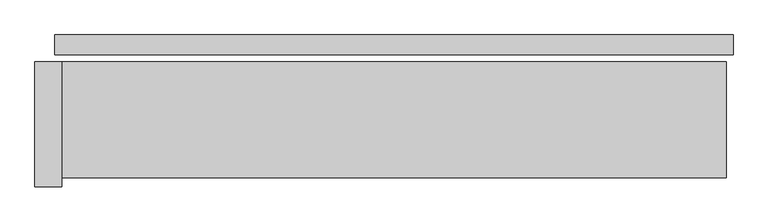
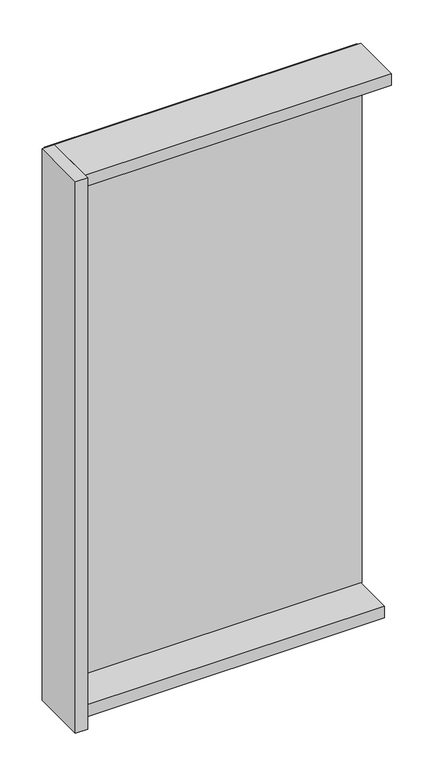
"""IFC4 building model written with IfcOpenShell, lengths in millimetres: plate geometry."""

import ifcopenshell
import ifcopenshell.guid

model = None  # the IFC model being written
_history = None  # IfcOwnerHistory: only IFC2X3 demands one
_inside = {}  # id of a spatial element -> (the spatial element, [elements in it])
_under = {}  # id of a project, library or spatial element -> (it, [spatial elements below it])
_declared = {}  # id of a project -> (the project, [libraries it declares])
_typed = {}  # id of a type object -> (the type object, [elements of that type])
_made_of = {}  # id of a material, layer set ... -> (it, [elements and type objects made of it])


def new_model(schema):
    """Start an empty IFC model of exactly this schema.

    Asked for "IFC4X3", IfcOpenShell would pick the latest addendum, in which some entities
    have other attributes; the version numbers below select the first issue.
    IFC2X3 requires an IfcOwnerHistory on every rooted entity: one is made here for all.
    """
    global model, _history
    if schema == "IFC4X3":
        model = ifcopenshell.file(schema_version=(4, 3, 0, 0))
    else:
        model = ifcopenshell.file(schema=schema)
    _inside.clear()
    _under.clear()
    _declared.clear()
    _typed.clear()
    _made_of.clear()
    _history = None
    if model.schema == "IFC2X3":
        org = make("IfcOrganization", Name="unknown")
        user = make(
            "IfcPersonAndOrganization",
            ThePerson=make("IfcPerson", FamilyName="unknown"),
            TheOrganization=org,
        )
        app = make(
            "IfcApplication",
            ApplicationDeveloper=org,
            Version="unknown",
            ApplicationFullName="unknown",
            ApplicationIdentifier="unknown",
        )
        _history = make(
            "IfcOwnerHistory",
            OwningUser=user,
            OwningApplication=app,
            ChangeAction="ADDED",
            CreationDate=0,
        )
    return model


def make(cls, **values):
    """One entity of the class cls with the attributes given. An attribute that is None is left unset."""
    return model.create_entity(
        cls, **{name: value for name, value in values.items() if value is not None}
    )


def rooted(cls, **values):
    """An entity with a GlobalId (a new one), such as an element, a storey or a relation."""
    return make(cls, GlobalId=ifcopenshell.guid.new(), OwnerHistory=_history, **values)


def si_unit(unit_type, name, prefix=None):
    """IfcSIUnit, for example si_unit("LENGTHUNIT", "METRE", prefix="MILLI")."""
    return make("IfcSIUnit", UnitType=unit_type, Prefix=prefix, Name=name)


def assignment(units):
    """IfcUnitAssignment: the units of a project."""
    return None if units is None else make("IfcUnitAssignment", Units=units)


def point(xyz):
    """IfcCartesianPoint."""
    return None if xyz is None else make("IfcCartesianPoint", Coordinates=xyz)


def direction(xyz):
    """IfcDirection."""
    return None if xyz is None else make("IfcDirection", DirectionRatios=xyz)


def frame(location, z_axis=None, x_axis=None):
    """IfcAxis2Placement3D, a coordinate frame: its origin and axes. An axis left out is left unset."""
    return make(
        "IfcAxis2Placement3D",
        Location=point(location),
        Axis=direction(z_axis),
        RefDirection=direction(x_axis),
    )


def origin():
    """The frame at (0, 0, 0) with its axes left unset."""
    return frame((0.0, 0.0, 0.0))


def origin_with_axes():
    """The frame at (0, 0, 0) with the z axis (0, 0, 1) and the x axis (1, 0, 0) written out."""
    return frame((0.0, 0.0, 0.0), z_axis=(0.0, 0.0, 1.0), x_axis=(1.0, 0.0, 0.0))


def place(relative_to, where):
    """IfcLocalPlacement: puts the frame where relative to a parent placement (None: the world)."""
    return make(
        "IfcLocalPlacement", PlacementRelTo=relative_to, RelativePlacement=where
    )


def context(
    kind, dimensions, precision=None, world=None, true_north=None, identifier=None
):
    """IfcGeometricRepresentationContext, for example the 3D "Model" context."""
    return make(
        "IfcGeometricRepresentationContext",
        ContextIdentifier=identifier,
        ContextType=kind,
        CoordinateSpaceDimension=dimensions,
        Precision=precision,
        WorldCoordinateSystem=world,
        TrueNorth=true_north,
    )


def project(units=None, contexts=None):
    """IfcProject with its units and contexts."""
    return rooted(
        "IfcProject",
        Name="project",
        RepresentationContexts=contexts,
        UnitsInContext=assignment(units),
    )


def spatial(cls, under=None, at=None, **own):
    """A site, building, storey or space (cls), placed at a placement, below another one or the project."""
    s = rooted(cls, ObjectPlacement=at, **own)
    if under is not None:
        _under.setdefault(under.id(), (under, []))[1].append(s)
    return s


def polyline(points):
    """IfcPolyline through the points."""
    return make("IfcPolyline", Points=[point(p) for p in points])


def outline(outer, holes=None, kind="AREA"):
    """IfcArbitraryClosedProfileDef: a profile drawn as a closed curve; with holes, ...WithVoids."""
    if holes is None:
        return make("IfcArbitraryClosedProfileDef", ProfileType=kind, OuterCurve=outer)
    return make(
        "IfcArbitraryProfileDefWithVoids",
        ProfileType=kind,
        OuterCurve=outer,
        InnerCurves=holes,
    )


def extrude(swept, where, along, depth):
    """IfcExtrudedAreaSolid: the profile swept, set in the frame where, extruded along a direction by depth."""
    return make(
        "IfcExtrudedAreaSolid",
        SweptArea=swept,
        Position=where,
        ExtrudedDirection=direction(along),
        Depth=depth,
    )


def shape(context_of_items, identifier, shape_type, items):
    """IfcShapeRepresentation: the items that make up one representation, for example the "Body"."""
    return make(
        "IfcShapeRepresentation",
        ContextOfItems=context_of_items,
        RepresentationIdentifier=identifier,
        RepresentationType=shape_type,
        Items=items,
    )


def source(mapping_origin, context_of_items, identifier, shape_type, items):
    """IfcRepresentationMap: a shape defined once, which mapped items show again and again."""
    return make(
        "IfcRepresentationMap",
        MappingOrigin=mapping_origin,
        MappedRepresentation=shape(context_of_items, identifier, shape_type, items),
    )


def transform(
    local_origin,
    x_axis=None,
    y_axis=None,
    z_axis=None,
    scale=None,
    scale2=None,
    scale3=None,
    uniform=True,
):
    """IfcCartesianTransformationOperator3D, or its non-uniform kind. x_axis, y_axis, z_axis: its Axis1, 2, 3."""
    if uniform:
        return make(
            "IfcCartesianTransformationOperator3D",
            Axis1=direction(x_axis),
            Axis2=direction(y_axis),
            LocalOrigin=point(local_origin),
            Scale=scale,
            Axis3=direction(z_axis),
        )
    return make(
        "IfcCartesianTransformationOperator3DnonUniform",
        Axis1=direction(x_axis),
        Axis2=direction(y_axis),
        LocalOrigin=point(local_origin),
        Scale=scale,
        Axis3=direction(z_axis),
        Scale2=scale2,
        Scale3=scale3,
    )


def mapped(mapping_source, mapping_target):
    """IfcMappedItem: shows the shape of a source again, moved by a transform."""
    return make(
        "IfcMappedItem", MappingSource=mapping_source, MappingTarget=mapping_target
    )


def made_of(thing, what):
    """Note that an element or type object is made of a material, layer set ...; save() writes the relation."""
    if what is not None:
        _made_of.setdefault(what.id(), (what, []))[1].append(thing)
    return thing


def element(
    cls,
    number,
    at=None,
    inside=None,
    cuts=None,
    type_object=None,
    material=None,
    context=None,
    identifier="Body",
    shape_type=None,
    held_by="IfcProductDefinitionShape",
    body=None,
    shapes=None,
    **own,
):
    """One element of the class cls, such as IfcWall. Its Tag is "e" and its number.

    at: its placement. inside: the storey or other place that contains it. cuts: it is an
    opening in that element (IfcRelVoidsElement). A single representation is given by context,
    identifier, shape_type and body (its items); several are given by shapes. held_by: the class
    of the entity that holds the representations. save() writes the other relations.
    """
    e = rooted(cls, Tag="e%d" % number, ObjectPlacement=at, **own)
    if body is not None:
        shapes = [shape(context, identifier, shape_type, body)]
    if shapes is not None:
        e.Representation = make(held_by, Representations=shapes)
    if inside is not None:
        _inside.setdefault(inside.id(), (inside, []))[1].append(e)
    if cuts is not None:
        rooted(
            "IfcRelVoidsElement", RelatingBuildingElement=cuts, RelatedOpeningElement=e
        )
    if type_object is not None:
        _typed.setdefault(type_object.id(), (type_object, []))[1].append(e)
    return made_of(e, material)


def aggregate(whole, parts):
    """IfcRelAggregates: a whole, such as a stair, and the parts it consists of."""
    return rooted("IfcRelAggregates", RelatingObject=whole, RelatedObjects=parts)


def save(model, path):
    """Write the relations noted so far, then the file.

    IfcRelAggregates (storeys below a building ...), IfcRelContainedInSpatialStructure (elements
    in a storey), IfcRelDefinesByType, IfcRelAssociatesMaterial and IfcRelDeclares: one each for
    every whole, place, type object, material and project.
    """
    for whole, parts in _under.values():
        aggregate(whole, parts)
    for where, things in _inside.values():
        rooted(
            "IfcRelContainedInSpatialStructure",
            RelatedElements=things,
            RelatingStructure=where,
        )
    for kind, things in _typed.values():
        rooted("IfcRelDefinesByType", RelatedObjects=things, RelatingType=kind)
    for what, things in _made_of.values():
        rooted("IfcRelAssociatesMaterial", RelatedObjects=things, RelatingMaterial=what)
    for by, libraries in _declared.values():
        rooted("IfcRelDeclares", RelatingContext=by, RelatedDefinitions=libraries)
    model.write(path)


def plate_224a0400(model_context):
    return source(origin(), model_context, "Body", "SweptSolid", [
        extrude(outline(polyline([(760.0, 0.0), (760.0, -44.0), (-760.0, -44.0), (-760.0, 0.0), (760.0, 0.0)])), origin_with_axes(), (0.0, 0.0, 1.0), 2742.0),
        extrude(outline(polyline([(-745.0, -60.0), (-745.0, -340.0), (-805.0, -340.0), (-805.0, -60.0), (-745.0, -60.0)])), frame((0.0, 0.0, -45.0), z_axis=(0.0, 0.0, 1.0), x_axis=(1.0, 0.0, 0.0)), (0.0, 0.0, 1.0), 2832.0),
        extrude(outline(polyline([(745.0, -260.0), (-745.0, -260.0), (-745.0, -60.0), (745.0, -60.0), (745.0, -260.0)])), frame((0.0, 0.0, -45.0), z_axis=(0.0, 0.0, 1.0), x_axis=(1.0, 0.0, 0.0)), (0.0, 0.0, 1.0), 60.0),
        extrude(outline(polyline([(745.0, -60.0), (745.0, -320.0), (-745.0, -320.0), (-745.0, -60.0), (745.0, -60.0)])), frame((0.0, 0.0, 2727.0), z_axis=(0.0, 0.0, 1.0), x_axis=(1.0, 0.0, 0.0)), (0.0, 0.0, 1.0), 60.0),
    ])


if __name__ == "__main__":
    model = new_model("IFC4")
    model_context = context("Model", 3, world=origin())
    ifc_project = project(units=[si_unit("LENGTHUNIT", "METRE", prefix="MILLI")], contexts=[model_context])
    site = spatial("IfcSite", under=ifc_project)
    building = spatial("IfcBuilding", under=site)
    placement = place(None, origin())
    plate_shape = plate_224a0400(model_context)
    element("IfcPlate", 1, at=placement, inside=building, context=model_context, shape_type="MappedRepresentation", body=[
        mapped(plate_shape, transform((0.0, 0.0, 0.0), x_axis=(1.0, 0.0, 0.0), y_axis=(0.0, 1.0, 0.0), z_axis=(0.0, 0.0, 1.0))),
    ])
    save(model, "model.ifc")
